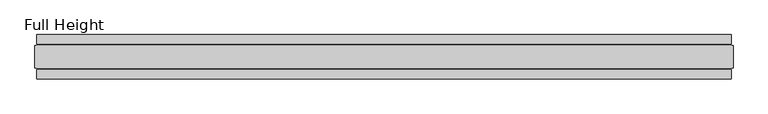
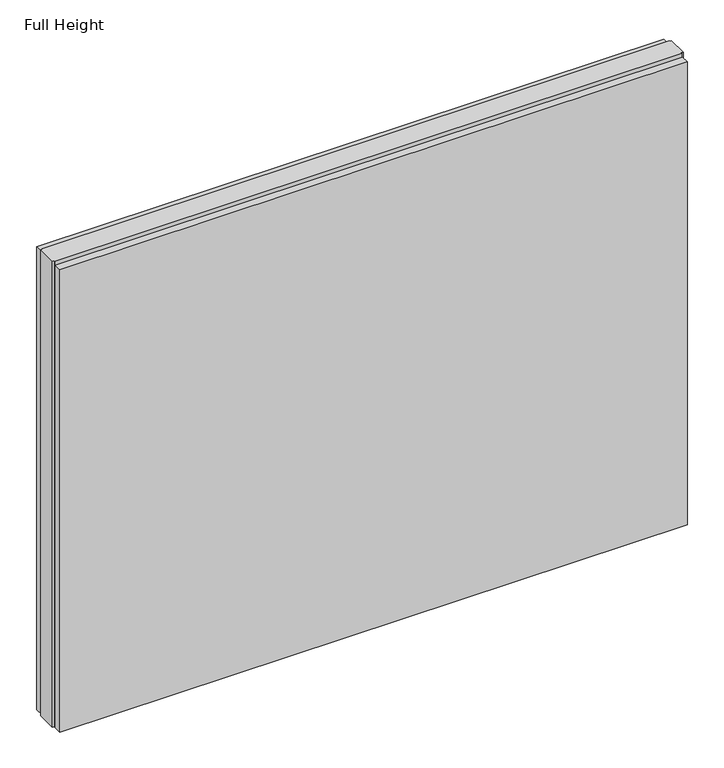
"""IFC4 building model written with IfcOpenShell, lengths in millimetres: plate geometry, Full Height."""

import ifcopenshell
import ifcopenshell.guid

model = None  # the IFC model being written
_history = None  # IfcOwnerHistory: only IFC2X3 demands one
_inside = {}  # id of a spatial element -> (the spatial element, [elements in it])
_under = {}  # id of a project, library or spatial element -> (it, [spatial elements below it])
_declared = {}  # id of a project -> (the project, [libraries it declares])
_typed = {}  # id of a type object -> (the type object, [elements of that type])
_made_of = {}  # id of a material, layer set ... -> (it, [elements and type objects made of it])


def new_model(schema):
    """Start an empty IFC model of exactly this schema.

    Asked for "IFC4X3", IfcOpenShell would pick the latest addendum, in which some entities
    have other attributes; the version numbers below select the first issue.
    IFC2X3 requires an IfcOwnerHistory on every rooted entity: one is made here for all.
    """
    global model, _history
    if schema == "IFC4X3":
        model = ifcopenshell.file(schema_version=(4, 3, 0, 0))
    else:
        model = ifcopenshell.file(schema=schema)
    _inside.clear()
    _under.clear()
    _declared.clear()
    _typed.clear()
    _made_of.clear()
    _history = None
    if model.schema == "IFC2X3":
        org = make("IfcOrganization", Name="unknown")
        user = make(
            "IfcPersonAndOrganization",
            ThePerson=make("IfcPerson", FamilyName="unknown"),
            TheOrganization=org,
        )
        app = make(
            "IfcApplication",
            ApplicationDeveloper=org,
            Version="unknown",
            ApplicationFullName="unknown",
            ApplicationIdentifier="unknown",
        )
        _history = make(
            "IfcOwnerHistory",
            OwningUser=user,
            OwningApplication=app,
            ChangeAction="ADDED",
            CreationDate=0,
        )
    return model


def make(cls, **values):
    """One entity of the class cls with the attributes given. An attribute that is None is left unset."""
    return model.create_entity(
        cls, **{name: value for name, value in values.items() if value is not None}
    )


def rooted(cls, **values):
    """An entity with a GlobalId (a new one), such as an element, a storey or a relation."""
    return make(cls, GlobalId=ifcopenshell.guid.new(), OwnerHistory=_history, **values)


def si_unit(unit_type, name, prefix=None):
    """IfcSIUnit, for example si_unit("LENGTHUNIT", "METRE", prefix="MILLI")."""
    return make("IfcSIUnit", UnitType=unit_type, Prefix=prefix, Name=name)


def assignment(units):
    """IfcUnitAssignment: the units of a project."""
    return None if units is None else make("IfcUnitAssignment", Units=units)


def point(xyz):
    """IfcCartesianPoint."""
    return None if xyz is None else make("IfcCartesianPoint", Coordinates=xyz)


def direction(xyz):
    """IfcDirection."""
    return None if xyz is None else make("IfcDirection", DirectionRatios=xyz)


def frame(location, z_axis=None, x_axis=None):
    """IfcAxis2Placement3D, a coordinate frame: its origin and axes. An axis left out is left unset."""
    return make(
        "IfcAxis2Placement3D",
        Location=point(location),
        Axis=direction(z_axis),
        RefDirection=direction(x_axis),
    )


def origin():
    """The frame at (0, 0, 0) with its axes left unset."""
    return frame((0.0, 0.0, 0.0))


def origin_with_axes():
    """The frame at (0, 0, 0) with the z axis (0, 0, 1) and the x axis (1, 0, 0) written out."""
    return frame((0.0, 0.0, 0.0), z_axis=(0.0, 0.0, 1.0), x_axis=(1.0, 0.0, 0.0))


def place(relative_to, where):
    """IfcLocalPlacement: puts the frame where relative to a parent placement (None: the world)."""
    return make(
        "IfcLocalPlacement", PlacementRelTo=relative_to, RelativePlacement=where
    )


def context(
    kind, dimensions, precision=None, world=None, true_north=None, identifier=None
):
    """IfcGeometricRepresentationContext, for example the 3D "Model" context."""
    return make(
        "IfcGeometricRepresentationContext",
        ContextIdentifier=identifier,
        ContextType=kind,
        CoordinateSpaceDimension=dimensions,
        Precision=precision,
        WorldCoordinateSystem=world,
        TrueNorth=true_north,
    )


def project(units=None, contexts=None):
    """IfcProject with its units and contexts."""
    return rooted(
        "IfcProject",
        Name="project",
        RepresentationContexts=contexts,
        UnitsInContext=assignment(units),
    )


def spatial(cls, under=None, at=None, **own):
    """A site, building, storey or space (cls), placed at a placement, below another one or the project."""
    s = rooted(cls, ObjectPlacement=at, **own)
    if under is not None:
        _under.setdefault(under.id(), (under, []))[1].append(s)
    return s


def polyline(points):
    """IfcPolyline through the points."""
    return make("IfcPolyline", Points=[point(p) for p in points])


def outline(outer, holes=None, kind="AREA"):
    """IfcArbitraryClosedProfileDef: a profile drawn as a closed curve; with holes, ...WithVoids."""
    if holes is None:
        return make("IfcArbitraryClosedProfileDef", ProfileType=kind, OuterCurve=outer)
    return make(
        "IfcArbitraryProfileDefWithVoids",
        ProfileType=kind,
        OuterCurve=outer,
        InnerCurves=holes,
    )


def extrude(swept, where, along, depth):
    """IfcExtrudedAreaSolid: the profile swept, set in the frame where, extruded along a direction by depth."""
    return make(
        "IfcExtrudedAreaSolid",
        SweptArea=swept,
        Position=where,
        ExtrudedDirection=direction(along),
        Depth=depth,
    )


def shape(context_of_items, identifier, shape_type, items):
    """IfcShapeRepresentation: the items that make up one representation, for example the "Body"."""
    return make(
        "IfcShapeRepresentation",
        ContextOfItems=context_of_items,
        RepresentationIdentifier=identifier,
        RepresentationType=shape_type,
        Items=items,
    )


def source(mapping_origin, context_of_items, identifier, shape_type, items):
    """IfcRepresentationMap: a shape defined once, which mapped items show again and again."""
    return make(
        "IfcRepresentationMap",
        MappingOrigin=mapping_origin,
        MappedRepresentation=shape(context_of_items, identifier, shape_type, items),
    )


def transform(
    local_origin,
    x_axis=None,
    y_axis=None,
    z_axis=None,
    scale=None,
    scale2=None,
    scale3=None,
    uniform=True,
):
    """IfcCartesianTransformationOperator3D, or its non-uniform kind. x_axis, y_axis, z_axis: its Axis1, 2, 3."""
    if uniform:
        return make(
            "IfcCartesianTransformationOperator3D",
            Axis1=direction(x_axis),
            Axis2=direction(y_axis),
            LocalOrigin=point(local_origin),
            Scale=scale,
            Axis3=direction(z_axis),
        )
    return make(
        "IfcCartesianTransformationOperator3DnonUniform",
        Axis1=direction(x_axis),
        Axis2=direction(y_axis),
        LocalOrigin=point(local_origin),
        Scale=scale,
        Axis3=direction(z_axis),
        Scale2=scale2,
        Scale3=scale3,
    )


def mapped(mapping_source, mapping_target):
    """IfcMappedItem: shows the shape of a source again, moved by a transform."""
    return make(
        "IfcMappedItem", MappingSource=mapping_source, MappingTarget=mapping_target
    )


def made_of(thing, what):
    """Note that an element or type object is made of a material, layer set ...; save() writes the relation."""
    if what is not None:
        _made_of.setdefault(what.id(), (what, []))[1].append(thing)
    return thing


def element(
    cls,
    number,
    at=None,
    inside=None,
    cuts=None,
    type_object=None,
    material=None,
    context=None,
    identifier="Body",
    shape_type=None,
    held_by="IfcProductDefinitionShape",
    body=None,
    shapes=None,
    **own,
):
    """One element of the class cls, such as IfcWall. Its Tag is "e" and its number.

    at: its placement. inside: the storey or other place that contains it. cuts: it is an
    opening in that element (IfcRelVoidsElement). A single representation is given by context,
    identifier, shape_type and body (its items); several are given by shapes. held_by: the class
    of the entity that holds the representations. save() writes the other relations.
    """
    e = rooted(cls, Tag="e%d" % number, ObjectPlacement=at, **own)
    if body is not None:
        shapes = [shape(context, identifier, shape_type, body)]
    if shapes is not None:
        e.Representation = make(held_by, Representations=shapes)
    if inside is not None:
        _inside.setdefault(inside.id(), (inside, []))[1].append(e)
    if cuts is not None:
        rooted(
            "IfcRelVoidsElement", RelatingBuildingElement=cuts, RelatedOpeningElement=e
        )
    if type_object is not None:
        _typed.setdefault(type_object.id(), (type_object, []))[1].append(e)
    return made_of(e, material)


def aggregate(whole, parts):
    """IfcRelAggregates: a whole, such as a stair, and the parts it consists of."""
    return rooted("IfcRelAggregates", RelatingObject=whole, RelatedObjects=parts)


def save(model, path):
    """Write the relations noted so far, then the file.

    IfcRelAggregates (storeys below a building ...), IfcRelContainedInSpatialStructure (elements
    in a storey), IfcRelDefinesByType, IfcRelAssociatesMaterial and IfcRelDeclares: one each for
    every whole, place, type object, material and project.
    """
    for whole, parts in _under.values():
        aggregate(whole, parts)
    for where, things in _inside.values():
        rooted(
            "IfcRelContainedInSpatialStructure",
            RelatedElements=things,
            RelatingStructure=where,
        )
    for kind, things in _typed.values():
        rooted("IfcRelDefinesByType", RelatedObjects=things, RelatingType=kind)
    for what, things in _made_of.values():
        rooted("IfcRelAssociatesMaterial", RelatedObjects=things, RelatingMaterial=what)
    for by, libraries in _declared.values():
        rooted("IfcRelDeclares", RelatingContext=by, RelatedDefinitions=libraries)
    model.write(path)


def full_height_7ea1f8fc(model_context):
    return source(origin(), model_context, "Body", "SweptSolid", [
        extrude(outline(polyline([(776.478, 28.956), (-776.478, 28.956), (-776.478, 49.53), (776.478, 49.53), (776.478, 28.956)])), origin_with_axes(), (0.0, 0.0, 1.0), 1210.056),
        extrude(outline(polyline([(776.478, -28.956), (776.478, -49.53), (-776.478, -49.53), (-776.478, -28.956), (776.478, -28.956)])), origin_with_axes(), (0.0, 0.0, 1.0), 1210.056),
        extrude(outline(polyline([(776.478, -25.146), (776.478, -26.67), (-776.478, -26.67), (-776.478, -25.146), (-781.05, -25.146), (-781.05, 25.146), (-776.478, 25.146), (-776.478, 26.67), (776.478, 26.67), (776.478, 25.146), (781.05, 25.146), (781.05, -25.146), (776.478, -25.146)])), origin_with_axes(), (0.0, 0.0, 1.0), 1219.2),
    ])


if __name__ == "__main__":
    model = new_model("IFC4")
    model_context = context("Model", 3, world=origin())
    ifc_project = project(units=[si_unit("LENGTHUNIT", "METRE", prefix="MILLI")], contexts=[model_context])
    site = spatial("IfcSite", under=ifc_project)
    building = spatial("IfcBuilding", under=site)
    placement = place(None, origin())
    full_height_shape = full_height_7ea1f8fc(model_context)
    element("IfcPlate", 1, ObjectType="Full Height", at=placement, inside=building, context=model_context, shape_type="MappedRepresentation", body=[
        mapped(full_height_shape, transform((0.0, 0.0, 0.0), x_axis=(1.0, 0.0, 0.0), y_axis=(0.0, 1.0, 0.0), z_axis=(0.0, 0.0, 1.0))),
    ])
    save(model, "model.ifc")
